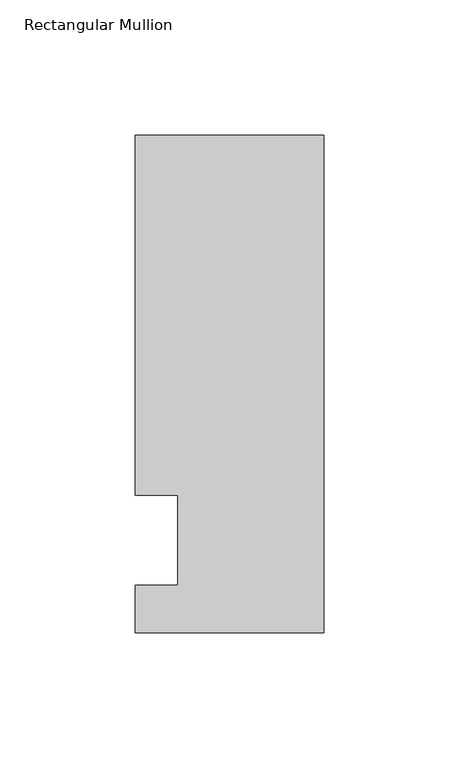
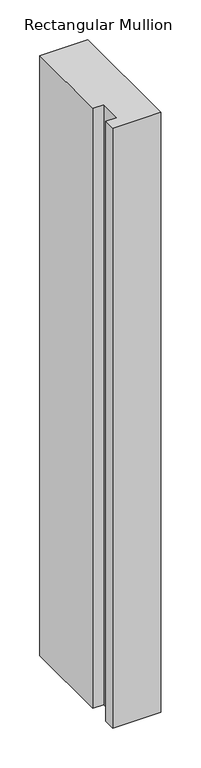
"""IFC4 building model written with IfcOpenShell, lengths in millimetres: member geometry, Rectangular Mullion."""

from ifc_helpers import new_model, si_unit, frame, origin, place, context, project, spatial, polyline, outline, extrude, source, transform, mapped, element, save


def rectangular_mullion_6f0a746e(model_context):
    return source(origin(), model_context, "Body", "SweptSolid", [
        extrude(outline(polyline([(-69.85, 150.01875), (0.0, 150.01875), (0.0, -34.13125), (-69.85, -34.13125), (-69.85, -16.66875), (-53.975, -16.66875), (-53.975, 16.66875), (-69.85, 16.66875), (-69.85, 150.01875)])), frame((0.0, 0.0, -921.9094027), z_axis=(0.0, 0.0, 1.0), x_axis=(1.0, 0.0, 0.0)), (0.0, 0.0, 1.0), 921.9094027),
    ])


if __name__ == "__main__":
    model = new_model("IFC4")
    model_context = context("Model", 3, world=origin())
    ifc_project = project(units=[si_unit("LENGTHUNIT", "METRE", prefix="MILLI")], contexts=[model_context])
    site = spatial("IfcSite", under=ifc_project)
    building = spatial("IfcBuilding", under=site)
    placement = place(None, origin())
    rectangular_mullion_shape = rectangular_mullion_6f0a746e(model_context)
    element("IfcMember", 1, ObjectType="Rectangular Mullion", at=placement, inside=building, context=model_context, shape_type="MappedRepresentation", body=[
        mapped(rectangular_mullion_shape, transform((0.0, 0.0, 0.0), x_axis=(1.0, 0.0, 0.0), y_axis=(0.0, 1.0, 0.0), z_axis=(0.0, 0.0, 1.0))),
    ])
    save(model, "model.ifc")
